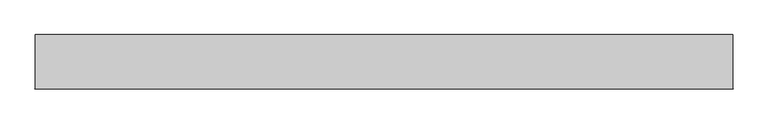
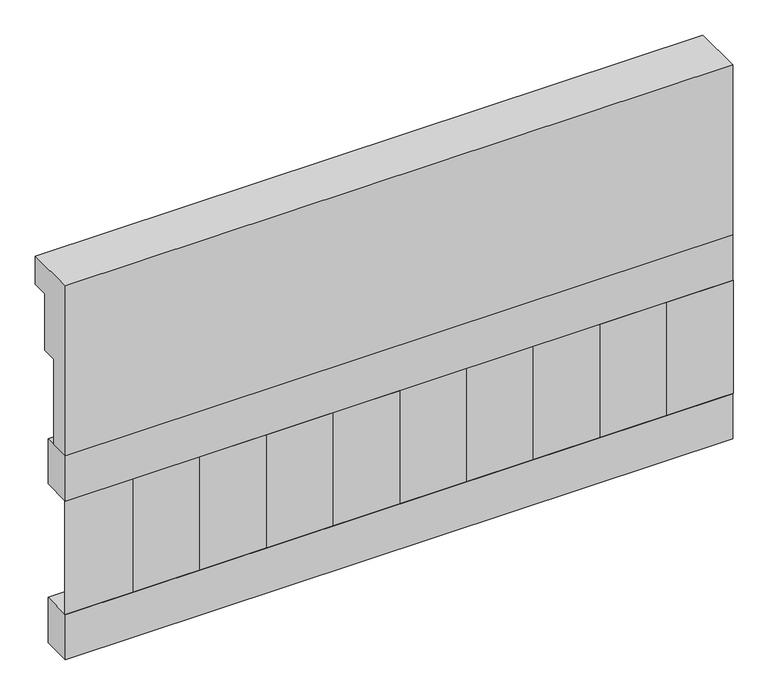
"""IFC4 building model written with IfcOpenShell, lengths in millimetres: railing geometry."""

from ifc_helpers import new_model, si_unit, frame, origin, place, context, project, spatial, polyline, outline, extrude, source, transform, mapped, element, save


def railing_d25f5ecc(model_context):
    return source(origin(), model_context, "Body", "SweptSolid", [
        extrude(outline(polyline([(903.1079487, 18500.0), (1033.1079487, 18500.0), (1033.1079487, 18425.0), (993.1079487, 18425.0), (993.1079487, 18275.0), (953.1079487, 18275.0), (953.1079487, 18050.0), (903.1079487, 18050.0), (903.1079487, 18500.0)])), frame((22660.0112841, 0.0, 0.0), z_axis=(1.0, 0.0, 0.0), x_axis=(0.0, 1.0, 0.0)), (0.0, 0.0, 1.0), 1670.0),
        extrude(outline(polyline([(24330.0112841, 978.1079487), (24330.0112841, 903.1079487), (22660.0112841, 903.1079487), (22660.0112841, 978.1079487), (24330.0112841, 978.1079487)])), frame((0.0, 0.0, 17930.0), z_axis=(0.0, 0.0, 1.0), x_axis=(1.0, 0.0, 0.0)), (0.0, 0.0, 1.0), 120.0),
        extrude(outline(polyline([(24330.0112841, 978.1079487), (24330.0112841, 903.1079487), (22660.0112841, 903.1079487), (22660.0112841, 978.1079487), (24330.0112841, 978.1079487)])), frame((0.0, 0.0, 17510.0), z_axis=(0.0, 0.0, 1.0), x_axis=(1.0, 0.0, 0.0)), (0.0, 0.0, 1.0), 120.0),
        extrude(outline(polyline([(22743.5112841, 987.9607624), (22828.3640978, 903.1079487), (22658.6584704, 903.1079487), (22743.5112841, 987.9607624)])), frame((0.0, 0.0, 17630.0), z_axis=(0.0, 0.0, 1.0), x_axis=(1.0, 0.0, 0.0)), (0.0, 0.0, 1.0), 300.0),
        extrude(outline(polyline([(22910.5112841, 987.9607624), (22995.3640978, 903.1079487), (22825.6584704, 903.1079487), (22910.5112841, 987.9607624)])), frame((0.0, 0.0, 17630.0), z_axis=(0.0, 0.0, 1.0), x_axis=(1.0, 0.0, 0.0)), (0.0, 0.0, 1.0), 300.0),
        extrude(outline(polyline([(23077.5112841, 987.9607624), (23162.3640978, 903.1079487), (22992.6584704, 903.1079487), (23077.5112841, 987.9607624)])), frame((0.0, 0.0, 17630.0), z_axis=(0.0, 0.0, 1.0), x_axis=(1.0, 0.0, 0.0)), (0.0, 0.0, 1.0), 300.0),
        extrude(outline(polyline([(23244.5112841, 987.9607624), (23329.3640978, 903.1079487), (23159.6584704, 903.1079487), (23244.5112841, 987.9607624)])), frame((0.0, 0.0, 17630.0), z_axis=(0.0, 0.0, 1.0), x_axis=(1.0, 0.0, 0.0)), (0.0, 0.0, 1.0), 300.0),
        extrude(outline(polyline([(23411.5112841, 987.9607624), (23496.3640978, 903.1079487), (23326.6584704, 903.1079487), (23411.5112841, 987.9607624)])), frame((0.0, 0.0, 17630.0), z_axis=(0.0, 0.0, 1.0), x_axis=(1.0, 0.0, 0.0)), (0.0, 0.0, 1.0), 300.0),
        extrude(outline(polyline([(23578.5112841, 987.9607624), (23663.3640978, 903.1079487), (23493.6584704, 903.1079487), (23578.5112841, 987.9607624)])), frame((0.0, 0.0, 17630.0), z_axis=(0.0, 0.0, 1.0), x_axis=(1.0, 0.0, 0.0)), (0.0, 0.0, 1.0), 300.0),
        extrude(outline(polyline([(23745.5112841, 987.9607624), (23830.3640978, 903.1079487), (23660.6584704, 903.1079487), (23745.5112841, 987.9607624)])), frame((0.0, 0.0, 17630.0), z_axis=(0.0, 0.0, 1.0), x_axis=(1.0, 0.0, 0.0)), (0.0, 0.0, 1.0), 300.0),
        extrude(outline(polyline([(23912.5112841, 987.9607624), (23997.3640978, 903.1079487), (23827.6584704, 903.1079487), (23912.5112841, 987.9607624)])), frame((0.0, 0.0, 17630.0), z_axis=(0.0, 0.0, 1.0), x_axis=(1.0, 0.0, 0.0)), (0.0, 0.0, 1.0), 300.0),
        extrude(outline(polyline([(24079.5112841, 987.9607624), (24164.3640978, 903.1079487), (23994.6584704, 903.1079487), (24079.5112841, 987.9607624)])), frame((0.0, 0.0, 17630.0), z_axis=(0.0, 0.0, 1.0), x_axis=(1.0, 0.0, 0.0)), (0.0, 0.0, 1.0), 300.0),
        extrude(outline(polyline([(24246.5112841, 987.9607624), (24331.3640978, 903.1079487), (24161.6584704, 903.1079487), (24246.5112841, 987.9607624)])), frame((0.0, 0.0, 17630.0), z_axis=(0.0, 0.0, 1.0), x_axis=(1.0, 0.0, 0.0)), (0.0, 0.0, 1.0), 300.0),
    ])


if __name__ == "__main__":
    model = new_model("IFC4")
    model_context = context("Model", 3, world=origin())
    ifc_project = project(units=[si_unit("LENGTHUNIT", "METRE", prefix="MILLI")], contexts=[model_context])
    site = spatial("IfcSite", under=ifc_project)
    building = spatial("IfcBuilding", under=site)
    placement = place(None, origin())
    railing_shape = railing_d25f5ecc(model_context)
    element("IfcRailing", 1, at=placement, inside=building, context=model_context, shape_type="MappedRepresentation", body=[
        mapped(railing_shape, transform((0.0, 0.0, 0.0), x_axis=(1.0, 0.0, 0.0), y_axis=(0.0, 1.0, 0.0), z_axis=(0.0, 0.0, 1.0))),
    ])
    save(model, "model.ifc")
